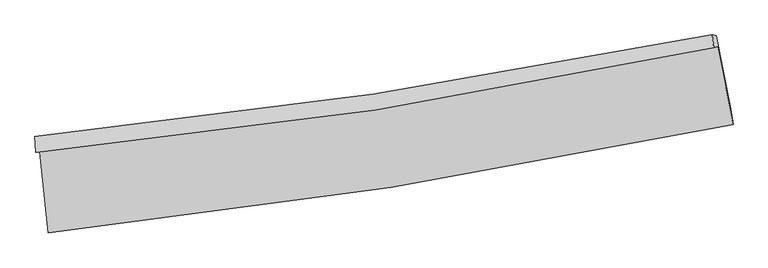
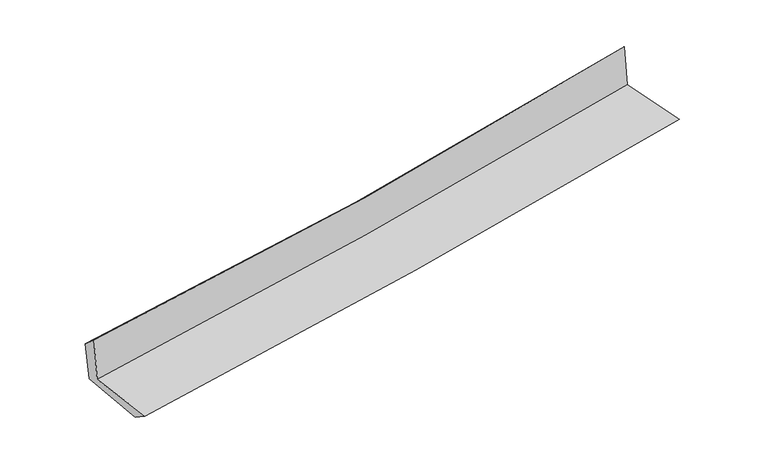
"""IFC4 building model written with IfcOpenShell, lengths in millimetres: proxy geometry."""

from ifc_helpers import new_model, si_unit, frame, origin, place, context, project, spatial, source, transform, mapped, element, save
from ifc_brep_helpers import plane_surface, spline_curve, spline_surface, advanced_brep


def generic_models_f225b301(model_context):
    return source(origin(), model_context, "Body", "AdvancedBrep", [
        advanced_brep(
        [(-2862.557449, -1906.4255498, 1616.7224703), (-2789.1561424, -2585.3077641, 1624.2558089), (2941.925158, -1677.428587, 2123.3356184), (2811.6233225, -1023.7469194, 2129.8893859), (-2896.6366655, -1912.7044227, 2034.7579533), (2778.8996684, -1034.3545734, 2537.3003507), (-2901.9307447, -1775.8550153, 1918.9755936), (2767.779534, -924.7895773, 2413.0017422), (-2870.660688, -1783.7499929, 1553.3056802), (2800.3320358, -932.4030816, 2049.896681), (-2797.2502954, -2434.1658767, 1523.4033182), (2924.0239361, -1545.2523216, 2025.8621085)],
        [
            (0, 1),
            (1, 2, spline_curve(3, [(-2789.1561424, -2585.3077641, 1624.2558089), (-1831.485865044, -2480.560035653, 1723.303787213), (-876.476908442, -2352.823953737, 1814.317762516), (1033.915461064, -2050.473424211, 1980.774108159), (1989.266938187, -1875.583113692, 2056.120068901), (2941.925158, -1677.428587, 2123.3356184)], [4, 2, 4], [0.0, 9.480612324404786, 19.01793921142086])),
            (2, 3),
            (3, 0, spline_curve(3, [(2811.6233225, -1023.7469194, 2129.8893859), (1869.338223361, -1215.01815604, 2054.114550623), (923.927873469, -1384.364495211, 1973.320771825), (-967.502775756, -1678.330724074, 1802.205619363), (-1913.48601655, -1803.210594927, 1711.943759986), (-2862.557449, -1906.4255498, 1616.7224703)], [4, 2, 4], [0.0, 9.537326887016073, 19.01793921142086])),
            (4, 0),
            (3, 5),
            (5, 4, spline_curve(3, [(2778.8996684, -1034.3545734, 2537.3003507), (1838.323549508, -1236.277782271, 2459.961709437), (893.651503379, -1410.571337843, 2379.279024184), (-998.24250984, -1703.026993813, 2211.725238633), (-1945.415908511, -1821.516720965, 2124.893791517), (-2896.6366655, -1912.7044227, 2034.7579533)], [4, 2, 4], [0.0, 9.489382101631058, 18.92233474858147])),
            (6, 4),
            (5, 7),
            (7, 6, spline_curve(3, [(2767.779534, -924.7895773, 2413.0017422), (1827.159706255, -1114.238783037, 2332.472888534), (882.954275486, -1280.026654702, 2250.913780707), (-1006.991668005, -1563.434562598, 2086.226181481), (-1952.68966354, -1681.335170008, 2003.109906235), (-2901.9307447, -1775.8550153, 1918.9755936)], [4, 2, 4], [0.0, 9.480648944554131, 18.904920366922926])),
            (8, 6),
            (7, 9),
            (9, 8, spline_curve(3, [(2800.3320358, -932.4030816, 2049.896681), (1859.84776734, -1122.004297178, 1964.693859744), (915.602405532, -1287.891543449, 1880.589723027), (-974.773100825, -1571.392651514, 1715.072417279), (-1920.85864675, -1689.287708784, 1633.646220685), (-2870.660688, -1783.7499929, 1553.3056802)], [4, 2, 4], [0.0, 9.472620067412157, 18.888910357071016])),
            (10, 8),
            (9, 11),
            (11, 10, spline_curve(3, [(2924.0239361, -1545.2523216, 2025.8621085), (1972.726793874, -1728.745142926, 1940.182580926), (1018.875963638, -1894.736553194, 1855.348898681), (-888.245727906, -2190.833542818, 1687.872664864), (-1841.486308254, -2321.14665089, 1605.220083875), (-2797.2502954, -2434.1658767, 1523.4033182)], [4, 2, 4], [0.0, 9.518798624532334, 18.980992866414198])),
            (1, 10),
            (11, 2),
        ],
        [
            spline_surface(3, 3, [[(-2862.557449, -1906.4255498, 1616.7224703), (-1913.486016432, -1803.210594956, 1711.943759855), (-967.502775721, -1678.330724019, 1802.205619477), (923.927873433, -1384.364495265, 1973.320771711), (1869.338223205, -1215.018156108, 2054.114550641), (2811.6233225, -1023.7469194, 2129.8893859)], [(-2838.090346806, -2132.719621207, 1619.233583155), (-1886.152632622, -2028.993741871, 1715.730435586), (-937.160819972, -1903.161800567, 1806.243000521), (960.590402674, -1606.40080488, 1975.805217149), (1909.3144615, -1435.206475359, 2054.783056756), (2855.057267672, -1241.64080861, 2127.704796723)], [(-2813.623244594, -2359.013692693, 1621.744696045), (-1858.819248794, -2254.776888865, 1719.517111353), (-906.818864254, -2127.992877202, 1810.280381584), (997.252931886, -1828.437114582, 1978.289662607), (1949.29069978, -1655.394794579, 2055.451562901), (2898.491212828, -1459.53469779, 2125.520207577)], [(-2789.1561424, -2585.3077641, 1624.2558089), (-1831.485864984, -2480.56003578, 1723.303787084), (-876.476908505, -2352.82395375, 1814.317762629), (1033.915461127, -2050.473424197, 1980.774108045), (1989.266938075, -1875.583113829, 2056.120069016), (2941.925158, -1677.428587, 2123.3356184)]], [4, 4], [4, 2, 4], [0.0, 2.22391188023126], [0.0, 9.480612324404786, 19.01793921142086]),
            spline_surface(3, 3, [[(-2896.6366655, -1912.7044227, 2034.7579533), (-1945.415908502, -1821.516721005, 2124.893791378), (-998.242509923, -1703.026993717, 2211.725238652), (893.651503462, -1410.57133794, 2379.279024165), (1838.323549514, -1236.277782162, 2459.961709377), (2778.8996684, -1034.3545734, 2537.3003507)], [(-2885.27692667, -1910.611465074, 1895.412792311), (-1934.772611149, -1815.414678995, 1987.243780881), (-987.995931842, -1694.794903833, 2075.218698914), (903.7436268, -1401.83572373, 2243.959606668), (1848.661774082, -1229.191240149, 2324.679323143), (2789.807553104, -1030.818688738, 2401.496695778)], [(-2873.91718783, -1908.518507426, 1756.067631289), (-1924.129313785, -1809.312636965, 1849.593770351), (-977.749353802, -1686.562813904, 1938.712159214), (913.835750095, -1393.100109476, 2108.640189208), (1858.999998637, -1222.104698122, 2189.396936875), (2800.715437796, -1027.282804062, 2265.693040822)], [(-2862.557449, -1906.4255498, 1616.7224703), (-1913.486016432, -1803.210594956, 1711.943759855), (-967.502775721, -1678.330724019, 1802.205619477), (923.927873433, -1384.364495265, 1973.320771711), (1869.338223205, -1215.018156108, 2054.114550641), (2811.6233225, -1023.7469194, 2129.8893859)]], [4, 4], [4, 2, 4], [0.0, 1.3440279165314097], [0.0, 9.432952646950412, 18.92233474858147]),
            spline_surface(3, 3, [[(-2901.9307447, -1775.8550153, 1918.9755936), (-1952.68966359, -1681.335169983, 2003.109906378), (-1006.991668081, -1563.434562446, 2086.226181384), (882.954275562, -1280.026654856, 2250.913780804), (1827.159706307, -1114.23878306, 2332.472888691), (2767.779534, -924.7895773, 2413.0017422)], [(-2900.166051635, -1821.471484442, 1957.569713488), (-1950.265078562, -1728.062353666, 2043.7045347), (-1004.075282048, -1609.96537287, 2128.059200477), (886.520018176, -1323.541549218, 2293.702195262), (1830.880987387, -1154.918449419, 2374.969162244), (2771.486245477, -961.311242658, 2454.434611691)], [(-2898.401358565, -1867.087953558, 1996.163833412), (-1947.84049353, -1774.789537322, 2084.299163056), (-1001.158895956, -1656.496183293, 2169.892219559), (890.085760848, -1367.056443578, 2336.490609708), (1834.602268435, -1195.598115803, 2417.465435823), (2775.192956923, -997.832908042, 2495.867481209)], [(-2896.6366655, -1912.7044227, 2034.7579533), (-1945.415908502, -1821.516721005, 2124.893791378), (-998.242509923, -1703.026993717, 2211.725238652), (893.651503462, -1410.57133794, 2379.279024165), (1838.323549514, -1236.277782162, 2459.961709377), (2778.8996684, -1034.3545734, 2537.3003507)]], [4, 4], [4, 2, 4], [0.0, 0.6089010546387191], [0.0, 9.424271422368795, 18.904920366922926]),
            spline_surface(3, 3, [[(-2870.660688, -1783.7499929, 1553.3056802), (-1920.858646785, -1689.287708901, 1633.646220623), (-974.773100792, -1571.392651425, 1715.072417341), (915.602405498, -1287.891543539, 1880.589722965), (1859.847767436, -1122.004297255, 1964.693859806), (2800.3320358, -932.4030816, 2049.896681)], [(-2881.084040236, -1781.118333684, 1675.195651362), (-1931.468985723, -1686.636862579, 1756.800782571), (-985.512623215, -1568.73995508, 1838.790338691), (904.719695525, -1285.269913959, 2004.03107558), (1848.951747046, -1119.415792511, 2087.28686943), (2789.481201853, -929.865246821, 2170.931701396)], [(-2891.507392464, -1778.486674516, 1797.085622438), (-1942.079324652, -1683.986016305, 1879.955344431), (-996.252145657, -1566.087258791, 1962.508260034), (893.836985535, -1282.648284435, 2127.472428189), (1838.055726698, -1116.827287804, 2209.879879066), (2778.630367947, -927.327412079, 2291.966721804)], [(-2901.9307447, -1775.8550153, 1918.9755936), (-1952.68966359, -1681.335169983, 2003.109906378), (-1006.991668081, -1563.434562446, 2086.226181384), (882.954275562, -1280.026654856, 2250.913780804), (1827.159706307, -1114.23878306, 2332.472888691), (2767.779534, -924.7895773, 2413.0017422)]], [4, 4], [4, 2, 4], [0.0, 1.2212485525162164], [0.0, 9.416290289658859, 18.888910357071016]),
            spline_surface(3, 3, [[(-2797.2502954, -2434.1658767, 1523.4033182), (-1841.486308291, -2321.146651003, 1605.220083964), (-888.245727978, -2190.833542935, 1687.872665003), (1018.87596371, -1894.736553077, 1855.348898542), (1972.726793843, -1728.74514278, 1940.182580974), (2924.0239361, -1545.2523216, 2025.8621085)], [(-2821.720426253, -2217.360582107, 1533.370772183), (-1867.943754442, -2110.527003643, 1614.695462833), (-917.088185576, -1984.353245776, 1696.939249142), (984.451444313, -1692.454883242, 1863.762506709), (1935.100451695, -1526.498194276, 1948.353007273), (2882.793302654, -1340.969241604, 2033.873632688)], [(-2846.190557147, -2000.555287493, 1543.338226217), (-1894.401200634, -1899.907356261, 1624.170841754), (-945.930643194, -1777.872948584, 1706.005833202), (950.026924895, -1490.173213374, 1872.176114797), (1897.474109585, -1324.251245759, 1956.523433507), (2841.562669246, -1136.686161596, 2041.885156812)], [(-2870.660688, -1783.7499929, 1553.3056802), (-1920.858646785, -1689.287708901, 1633.646220623), (-974.773100792, -1571.392651425, 1715.072417341), (915.602405498, -1287.891543539, 1880.589722965), (1859.847767436, -1122.004297255, 1964.693859806), (2800.3320358, -932.4030816, 2049.896681)]], [4, 4], [4, 2, 4], [0.0, 2.0372964409360312], [0.0, 9.462194241881864, 18.980992866414198]),
            spline_surface(3, 3, [[(-2789.1561424, -2585.3077641, 1624.2558089), (-1831.485864984, -2480.56003578, 1723.303787084), (-876.476908505, -2352.82395375, 1814.317762629), (1033.915461127, -2050.473424197, 1980.774108045), (1989.266938075, -1875.583113829, 2056.120069016), (2941.925158, -1677.428587, 2123.3356184)], [(-2791.8541934, -2534.927134986, 1590.638312), (-1834.819346087, -2427.422240873, 1683.942552711), (-880.399848346, -2298.827150166, 1772.16939674), (1028.902295305, -1998.561133845, 1938.965704864), (1983.753556672, -1826.637123481, 2017.474239658), (2935.958084041, -1633.369831869, 2090.844448423)], [(-2794.5522444, -2484.546505814, 1557.0208151), (-1838.152827189, -2374.28444591, 1644.581318337), (-884.322788137, -2244.830346519, 1730.021030892), (1023.889129533, -1946.648843429, 1897.157301723), (1978.240175247, -1777.691133128, 1978.828410332), (2929.991010059, -1589.311076731, 2058.353278477)], [(-2797.2502954, -2434.1658767, 1523.4033182), (-1841.486308291, -2321.146651003, 1605.220083964), (-888.245727978, -2190.833542935, 1687.872665003), (1018.87596371, -1894.736553077, 1855.348898542), (1972.726793843, -1728.74514278, 1940.182580974), (2924.0239361, -1545.2523216, 2025.8621085)]], [4, 4], [4, 2, 4], [0.0, 0.6665069061862636], [0.0, 9.51778029295465, 19.092497493344666]),
            plane_surface(frame((2837.4306091, -1189.66251, 2213.2143144), z_axis=(0.977436358882668, 0.1939998114399155, 0.08355978396016753), x_axis=(-0.08927278966936908, 0.020879463413742416, 0.995788339473908))),
            plane_surface(frame((-2853.0319975, -2066.3681036, 1711.9034708), z_axis=(-0.9907275208948328, -0.10803252384665524, -0.08238903527108783), x_axis=(-0.10748780113698399, 0.9941451976247008, -0.011031710949846294))),
        ],
        [
            (0, [[1, 2, 3, 4]]),
            (1, [[5, -4, 6, 7]]),
            (2, [[8, -7, 9, 10]]),
            (3, [[11, -10, 12, 13]]),
            (4, [[14, -13, 15, 16]]),
            (5, [[17, -16, 18, -2]]),
            (6, [[-12, -9, -6, -3, -18, -15]]),
            (7, [[-1, -5, -8, -11, -14, -17]]),
        ],
    ),
    ])


if __name__ == "__main__":
    model = new_model("IFC4")
    model_context = context("Model", 3, world=origin())
    ifc_project = project(units=[si_unit("LENGTHUNIT", "METRE", prefix="MILLI")], contexts=[model_context])
    site = spatial("IfcSite", under=ifc_project)
    building = spatial("IfcBuilding", under=site)
    placement = place(None, origin())
    generic_models_shape = generic_models_f225b301(model_context)
    element("IfcBuildingElementProxy", 1, Name="Generic Models", at=placement, inside=building, context=model_context, shape_type="MappedRepresentation", body=[
        mapped(generic_models_shape, transform((0.0, 0.0, 0.0), x_axis=(1.0, 0.0, 0.0), y_axis=(0.0, 1.0, 0.0), z_axis=(0.0, 0.0, 1.0))),
    ])
    save(model, "model.ifc")
